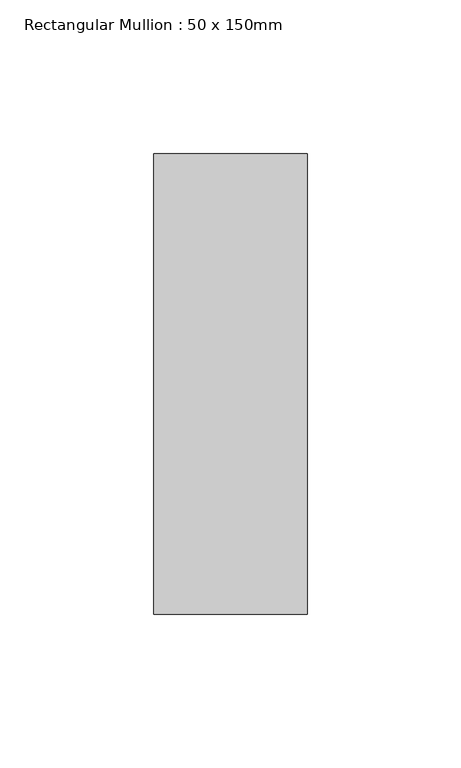
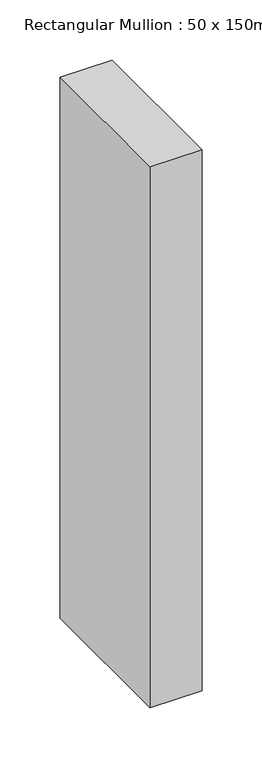
"""IFC4 building model written with IfcOpenShell, lengths in millimetres: member geometry, Rectangular Mullion : 50 x 150mm."""

import ifcopenshell
import ifcopenshell.guid

model = None  # the IFC model being written
_history = None  # IfcOwnerHistory: only IFC2X3 demands one
_inside = {}  # id of a spatial element -> (the spatial element, [elements in it])
_under = {}  # id of a project, library or spatial element -> (it, [spatial elements below it])
_declared = {}  # id of a project -> (the project, [libraries it declares])
_typed = {}  # id of a type object -> (the type object, [elements of that type])
_made_of = {}  # id of a material, layer set ... -> (it, [elements and type objects made of it])


def new_model(schema):
    """Start an empty IFC model of exactly this schema.

    Asked for "IFC4X3", IfcOpenShell would pick the latest addendum, in which some entities
    have other attributes; the version numbers below select the first issue.
    IFC2X3 requires an IfcOwnerHistory on every rooted entity: one is made here for all.
    """
    global model, _history
    if schema == "IFC4X3":
        model = ifcopenshell.file(schema_version=(4, 3, 0, 0))
    else:
        model = ifcopenshell.file(schema=schema)
    _inside.clear()
    _under.clear()
    _declared.clear()
    _typed.clear()
    _made_of.clear()
    _history = None
    if model.schema == "IFC2X3":
        org = make("IfcOrganization", Name="unknown")
        user = make(
            "IfcPersonAndOrganization",
            ThePerson=make("IfcPerson", FamilyName="unknown"),
            TheOrganization=org,
        )
        app = make(
            "IfcApplication",
            ApplicationDeveloper=org,
            Version="unknown",
            ApplicationFullName="unknown",
            ApplicationIdentifier="unknown",
        )
        _history = make(
            "IfcOwnerHistory",
            OwningUser=user,
            OwningApplication=app,
            ChangeAction="ADDED",
            CreationDate=0,
        )
    return model


def make(cls, **values):
    """One entity of the class cls with the attributes given. An attribute that is None is left unset."""
    return model.create_entity(
        cls, **{name: value for name, value in values.items() if value is not None}
    )


def rooted(cls, **values):
    """An entity with a GlobalId (a new one), such as an element, a storey or a relation."""
    return make(cls, GlobalId=ifcopenshell.guid.new(), OwnerHistory=_history, **values)


def si_unit(unit_type, name, prefix=None):
    """IfcSIUnit, for example si_unit("LENGTHUNIT", "METRE", prefix="MILLI")."""
    return make("IfcSIUnit", UnitType=unit_type, Prefix=prefix, Name=name)


def assignment(units):
    """IfcUnitAssignment: the units of a project."""
    return None if units is None else make("IfcUnitAssignment", Units=units)


def point(xyz):
    """IfcCartesianPoint."""
    return None if xyz is None else make("IfcCartesianPoint", Coordinates=xyz)


def direction(xyz):
    """IfcDirection."""
    return None if xyz is None else make("IfcDirection", DirectionRatios=xyz)


def frame(location, z_axis=None, x_axis=None):
    """IfcAxis2Placement3D, a coordinate frame: its origin and axes. An axis left out is left unset."""
    return make(
        "IfcAxis2Placement3D",
        Location=point(location),
        Axis=direction(z_axis),
        RefDirection=direction(x_axis),
    )


def origin():
    """The frame at (0, 0, 0) with its axes left unset."""
    return frame((0.0, 0.0, 0.0))


def place(relative_to, where):
    """IfcLocalPlacement: puts the frame where relative to a parent placement (None: the world)."""
    return make(
        "IfcLocalPlacement", PlacementRelTo=relative_to, RelativePlacement=where
    )


def context(
    kind, dimensions, precision=None, world=None, true_north=None, identifier=None
):
    """IfcGeometricRepresentationContext, for example the 3D "Model" context."""
    return make(
        "IfcGeometricRepresentationContext",
        ContextIdentifier=identifier,
        ContextType=kind,
        CoordinateSpaceDimension=dimensions,
        Precision=precision,
        WorldCoordinateSystem=world,
        TrueNorth=true_north,
    )


def project(units=None, contexts=None):
    """IfcProject with its units and contexts."""
    return rooted(
        "IfcProject",
        Name="project",
        RepresentationContexts=contexts,
        UnitsInContext=assignment(units),
    )


def spatial(cls, under=None, at=None, **own):
    """A site, building, storey or space (cls), placed at a placement, below another one or the project."""
    s = rooted(cls, ObjectPlacement=at, **own)
    if under is not None:
        _under.setdefault(under.id(), (under, []))[1].append(s)
    return s


def polyline(points):
    """IfcPolyline through the points."""
    return make("IfcPolyline", Points=[point(p) for p in points])


def outline(outer, holes=None, kind="AREA"):
    """IfcArbitraryClosedProfileDef: a profile drawn as a closed curve; with holes, ...WithVoids."""
    if holes is None:
        return make("IfcArbitraryClosedProfileDef", ProfileType=kind, OuterCurve=outer)
    return make(
        "IfcArbitraryProfileDefWithVoids",
        ProfileType=kind,
        OuterCurve=outer,
        InnerCurves=holes,
    )


def extrude(swept, where, along, depth):
    """IfcExtrudedAreaSolid: the profile swept, set in the frame where, extruded along a direction by depth."""
    return make(
        "IfcExtrudedAreaSolid",
        SweptArea=swept,
        Position=where,
        ExtrudedDirection=direction(along),
        Depth=depth,
    )


def shape(context_of_items, identifier, shape_type, items):
    """IfcShapeRepresentation: the items that make up one representation, for example the "Body"."""
    return make(
        "IfcShapeRepresentation",
        ContextOfItems=context_of_items,
        RepresentationIdentifier=identifier,
        RepresentationType=shape_type,
        Items=items,
    )


def source(mapping_origin, context_of_items, identifier, shape_type, items):
    """IfcRepresentationMap: a shape defined once, which mapped items show again and again."""
    return make(
        "IfcRepresentationMap",
        MappingOrigin=mapping_origin,
        MappedRepresentation=shape(context_of_items, identifier, shape_type, items),
    )


def transform(
    local_origin,
    x_axis=None,
    y_axis=None,
    z_axis=None,
    scale=None,
    scale2=None,
    scale3=None,
    uniform=True,
):
    """IfcCartesianTransformationOperator3D, or its non-uniform kind. x_axis, y_axis, z_axis: its Axis1, 2, 3."""
    if uniform:
        return make(
            "IfcCartesianTransformationOperator3D",
            Axis1=direction(x_axis),
            Axis2=direction(y_axis),
            LocalOrigin=point(local_origin),
            Scale=scale,
            Axis3=direction(z_axis),
        )
    return make(
        "IfcCartesianTransformationOperator3DnonUniform",
        Axis1=direction(x_axis),
        Axis2=direction(y_axis),
        LocalOrigin=point(local_origin),
        Scale=scale,
        Axis3=direction(z_axis),
        Scale2=scale2,
        Scale3=scale3,
    )


def mapped(mapping_source, mapping_target):
    """IfcMappedItem: shows the shape of a source again, moved by a transform."""
    return make(
        "IfcMappedItem", MappingSource=mapping_source, MappingTarget=mapping_target
    )


def made_of(thing, what):
    """Note that an element or type object is made of a material, layer set ...; save() writes the relation."""
    if what is not None:
        _made_of.setdefault(what.id(), (what, []))[1].append(thing)
    return thing


def element(
    cls,
    number,
    at=None,
    inside=None,
    cuts=None,
    type_object=None,
    material=None,
    context=None,
    identifier="Body",
    shape_type=None,
    held_by="IfcProductDefinitionShape",
    body=None,
    shapes=None,
    **own,
):
    """One element of the class cls, such as IfcWall. Its Tag is "e" and its number.

    at: its placement. inside: the storey or other place that contains it. cuts: it is an
    opening in that element (IfcRelVoidsElement). A single representation is given by context,
    identifier, shape_type and body (its items); several are given by shapes. held_by: the class
    of the entity that holds the representations. save() writes the other relations.
    """
    e = rooted(cls, Tag="e%d" % number, ObjectPlacement=at, **own)
    if body is not None:
        shapes = [shape(context, identifier, shape_type, body)]
    if shapes is not None:
        e.Representation = make(held_by, Representations=shapes)
    if inside is not None:
        _inside.setdefault(inside.id(), (inside, []))[1].append(e)
    if cuts is not None:
        rooted(
            "IfcRelVoidsElement", RelatingBuildingElement=cuts, RelatedOpeningElement=e
        )
    if type_object is not None:
        _typed.setdefault(type_object.id(), (type_object, []))[1].append(e)
    return made_of(e, material)


def aggregate(whole, parts):
    """IfcRelAggregates: a whole, such as a stair, and the parts it consists of."""
    return rooted("IfcRelAggregates", RelatingObject=whole, RelatedObjects=parts)


def save(model, path):
    """Write the relations noted so far, then the file.

    IfcRelAggregates (storeys below a building ...), IfcRelContainedInSpatialStructure (elements
    in a storey), IfcRelDefinesByType, IfcRelAssociatesMaterial and IfcRelDeclares: one each for
    every whole, place, type object, material and project.
    """
    for whole, parts in _under.values():
        aggregate(whole, parts)
    for where, things in _inside.values():
        rooted(
            "IfcRelContainedInSpatialStructure",
            RelatedElements=things,
            RelatingStructure=where,
        )
    for kind, things in _typed.values():
        rooted("IfcRelDefinesByType", RelatedObjects=things, RelatingType=kind)
    for what, things in _made_of.values():
        rooted("IfcRelAssociatesMaterial", RelatedObjects=things, RelatingMaterial=what)
    for by, libraries in _declared.values():
        rooted("IfcRelDeclares", RelatingContext=by, RelatedDefinitions=libraries)
    model.write(path)


def rectangular_mullion_50_x_150mm_5dbd0429(model_context):
    return source(origin(), model_context, "Body", "SweptSolid", [
        extrude(outline(polyline([(0.0, 75.0), (0.0, -75.0), (-50.0, -75.0), (-50.0, 75.0), (0.0, 75.0)])), frame((0.0, 0.0, -550.0), z_axis=(0.0, 0.0, 1.0), x_axis=(1.0, 0.0, 0.0)), (0.0, 0.0, 1.0), 550.0),
    ])


if __name__ == "__main__":
    model = new_model("IFC4")
    model_context = context("Model", 3, world=origin())
    ifc_project = project(units=[si_unit("LENGTHUNIT", "METRE", prefix="MILLI")], contexts=[model_context])
    site = spatial("IfcSite", under=ifc_project)
    building = spatial("IfcBuilding", under=site)
    placement = place(None, origin())
    rectangular_mullion_50_x_150mm_shape = rectangular_mullion_50_x_150mm_5dbd0429(model_context)
    element("IfcMember", 1, ObjectType="Rectangular Mullion : 50 x 150mm", at=placement, inside=building, context=model_context, shape_type="MappedRepresentation", body=[
        mapped(rectangular_mullion_50_x_150mm_shape, transform((0.0, 0.0, 0.0), x_axis=(1.0, 0.0, 0.0), y_axis=(0.0, 1.0, 0.0), z_axis=(0.0, 0.0, 1.0))),
    ])
    save(model, "model.ifc")
